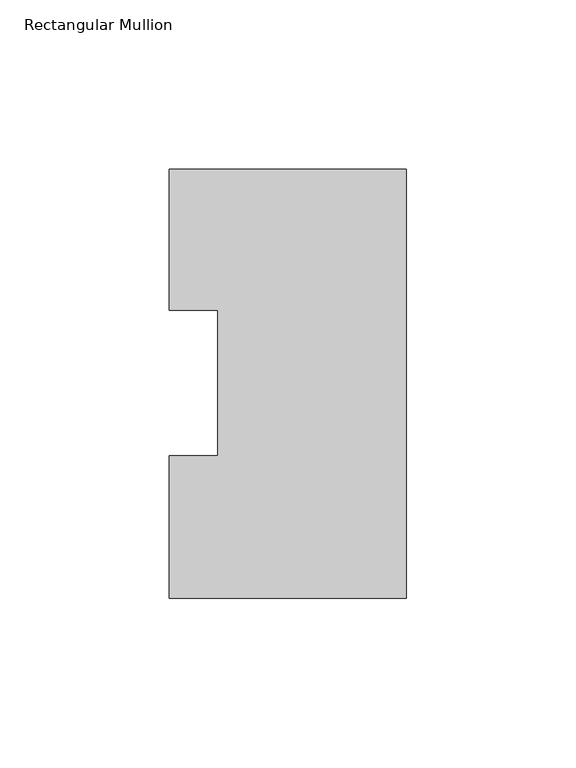
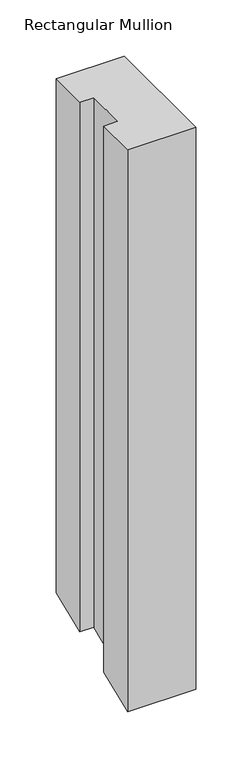
"""IFC4 building model written with IfcOpenShell, lengths in millimetres: member geometry, Rectangular Mullion."""

from ifc_helpers import new_model, si_unit, origin, place, context, project, spatial, faceted_brep, source, transform, mapped, element, save


def rectangular_mullion_4e6f164b(model_context):
    return source(origin(), model_context, "Body", "Brep", [
        faceted_brep([(-69.85, 0.2428875, 0.0), (0.0, 0.2428875, 0.0), (0.0, 126.7348875, 0.0), (-69.85, 126.7348875, 0.0), (-69.85, 85.1296875, 0.0), (-55.56504, 85.1296875, 0.0), (-55.56504, 42.2798875, 0.0), (-69.85, 42.2798875, 0.0), (-69.85, 0.2428875, -609.4993927), (0.0, 0.2428875, -609.4993927), (0.0, 126.7348875, -557.1046908), (-69.85, 126.7348875, -557.1046908), (-69.85, 85.1296875, -574.3381289), (-55.56504, 85.1296875, -574.3381289), (-55.56504, 42.2798875, -592.0870972), (-69.85, 42.2798875, -592.0870972)], [[[0, 1, 2, 3, 4, 5, 6, 7]], [[1, 0, 8, 9]], [[2, 1, 9, 10]], [[3, 2, 10, 11]], [[4, 3, 11, 12]], [[5, 4, 12, 13]], [[6, 5, 13, 14]], [[7, 6, 14, 15]], [[0, 7, 15, 8]], [[8, 15, 14, 13, 12, 11, 10, 9]]]),
    ])


if __name__ == "__main__":
    model = new_model("IFC4")
    model_context = context("Model", 3, world=origin())
    ifc_project = project(units=[si_unit("LENGTHUNIT", "METRE", prefix="MILLI")], contexts=[model_context])
    site = spatial("IfcSite", under=ifc_project)
    building = spatial("IfcBuilding", under=site)
    placement = place(None, origin())
    rectangular_mullion_shape = rectangular_mullion_4e6f164b(model_context)
    element("IfcMember", 1, ObjectType="Rectangular Mullion", at=placement, inside=building, context=model_context, shape_type="MappedRepresentation", body=[
        mapped(rectangular_mullion_shape, transform((0.0, 0.0, 0.0), x_axis=(1.0, 0.0, 0.0), y_axis=(0.0, 1.0, 0.0), z_axis=(0.0, 0.0, 1.0))),
    ])
    save(model, "model.ifc")
